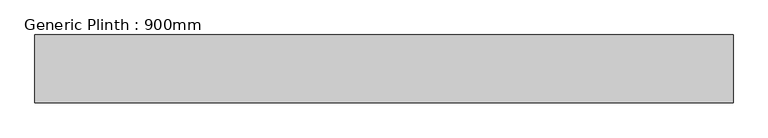
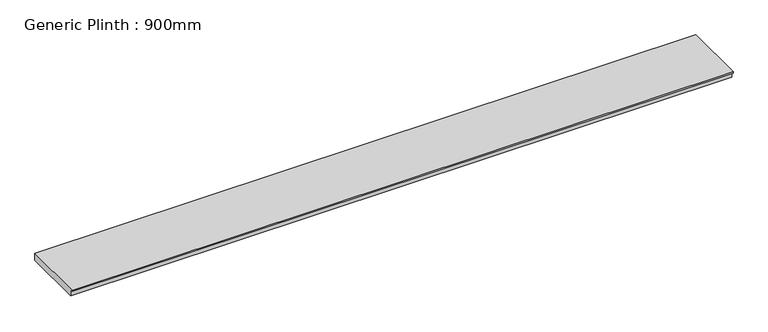
"""IFC4 building model written with IfcOpenShell, lengths in millimetres: furniture geometry, Generic Plinth : 900mm."""

from ifc_helpers import new_model, si_unit, frame, origin, place, context, project, spatial, polyline, outline, extrude, source, transform, mapped, element, save


def generic_plinth_900mm_08863006(model_context):
    return source(origin(), model_context, "Body", "SweptSolid", [
        extrude(outline(polyline([(-900.0, 81.0), (-900.0, 100.0), (0.0, 100.0), (0.0, 0.0), (-865.0, 0.0), (-865.0, 81.0), (-900.0, 81.0)])), frame((-4606.2628375, 0.0, 0.0), z_axis=(1.0, 0.0, 0.0), x_axis=(0.0, 1.0, 0.0)), (0.0, 0.0, 1.0), 9250.0010847),
    ])


if __name__ == "__main__":
    model = new_model("IFC4")
    model_context = context("Model", 3, world=origin())
    ifc_project = project(units=[si_unit("LENGTHUNIT", "METRE", prefix="MILLI")], contexts=[model_context])
    site = spatial("IfcSite", under=ifc_project)
    building = spatial("IfcBuilding", under=site)
    placement = place(None, origin())
    generic_plinth_900mm_shape = generic_plinth_900mm_08863006(model_context)
    element("IfcFurniture", 1, ObjectType="Generic Plinth : 900mm", at=placement, inside=building, context=model_context, shape_type="MappedRepresentation", body=[
        mapped(generic_plinth_900mm_shape, transform((0.0, 0.0, 0.0), x_axis=(1.0, 0.0, 0.0), y_axis=(0.0, 1.0, 0.0), z_axis=(0.0, 0.0, 1.0))),
    ])
    save(model, "model.ifc")
